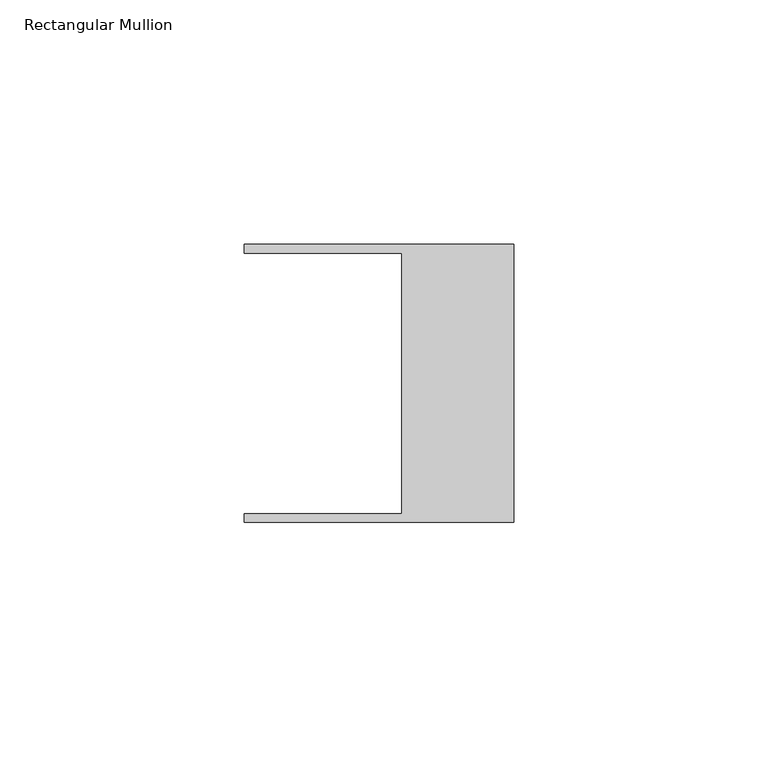
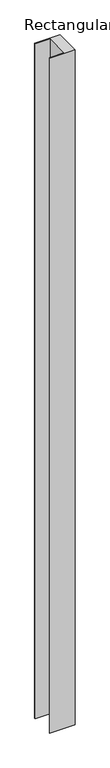
"""IFC4 building model written with IfcOpenShell, lengths in millimetres: member geometry, Rectangular Mullion."""

from ifc_helpers import new_model, si_unit, frame, origin, place, context, project, spatial, polyline, outline, extrude, source, transform, mapped, element, save


def rectangular_mullion_c15e8721(model_context):
    return source(origin(), model_context, "Body", "SweptSolid", [
        extrude(outline(polyline([(-55.118, 26.67), (-55.118, 28.448), (0.0, 28.448), (0.0, -28.448), (-55.118, -28.448), (-55.118, -26.67), (-22.86, -26.67), (-22.86, 26.67), (-55.118, 26.67)])), frame((0.0, 0.0, -1555.4361718), z_axis=(0.0, 0.0, 1.0), x_axis=(1.0, 0.0, 0.0)), (0.0, 0.0, 1.0), 1555.4361718),
    ])


if __name__ == "__main__":
    model = new_model("IFC4")
    model_context = context("Model", 3, world=origin())
    ifc_project = project(units=[si_unit("LENGTHUNIT", "METRE", prefix="MILLI")], contexts=[model_context])
    site = spatial("IfcSite", under=ifc_project)
    building = spatial("IfcBuilding", under=site)
    placement = place(None, origin())
    rectangular_mullion_shape = rectangular_mullion_c15e8721(model_context)
    element("IfcMember", 1, ObjectType="Rectangular Mullion", at=placement, inside=building, context=model_context, shape_type="MappedRepresentation", body=[
        mapped(rectangular_mullion_shape, transform((0.0, 0.0, 0.0), x_axis=(1.0, 0.0, 0.0), y_axis=(0.0, 1.0, 0.0), z_axis=(0.0, 0.0, 1.0))),
    ])
    save(model, "model.ifc")
